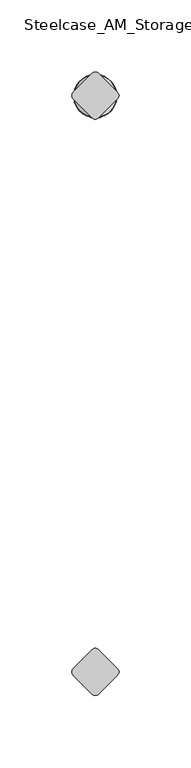
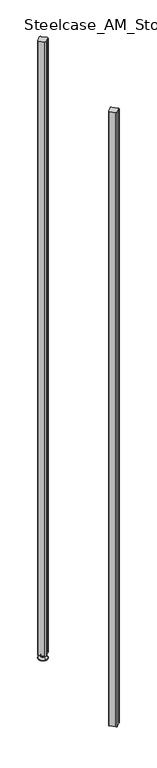
"""IFC4 building model written with IfcOpenShell, lengths in millimetres: furniture geometry, Steelcase_AM_Storage_FlexActiveFrames_FrameExtension : 5 High."""

from ifc_helpers import new_model, si_unit, point, frame, frame_2d, origin, place, context, project, spatial, polyline, circle_curve, ellipse_curve, trimmed, segment, composite_curve, outline, extrude, source, transform, mapped, element, save
from ifc_brep_helpers import plane_surface, cylinder_surface, revolved_surface, advanced_brep


def steelcase_am_storage_flexactiveframes_frameextension_5_high_85df0d84(model_context):
    return source(origin(), model_context, "Body", "SolidModel", [
        advanced_brep(
        [(800.1, 400.05, 15.9766), (800.1, 404.049659, 15.9766), (800.1, 396.050341, 15.9766), (800.1, 404.049659, 12.6000054), (800.1, 396.050341, 12.6000054), (800.1, 405.9101455, 12.6000074), (800.1, 394.1898545, 12.6000074), (800.1, 406.5451462, 11.9650074), (800.1, 393.5548538, 11.9650074), (800.1, 406.5451462, 9.0000124), (800.1, 393.5548538, 9.0000124), (800.1, 408.7921976, 9.0000124), (800.1, 391.3078024, 9.0000124), (800.1, 414.7560077, 2.3275608), (800.1, 385.3439923, 2.3275608), (800.1, 413.714601, 0.0), (800.1, 386.385399, 0.0), (800.1, 400.05, 0.0)],
        [
            (0, 1),
            (1, 2, circle_curve(frame((800.1, 400.05, 15.9766), z_axis=(0.0, 0.0, 1.0), x_axis=(0.0, -1.0, 0.0)), 3.999659)),
            (2, 0),
            (2, 1, circle_curve(frame((800.1, 400.05, 15.9766), z_axis=(0.0, 0.0, 1.0), x_axis=(0.0, -1.0, 0.0)), 3.999659)),
            (1, 3),
            (3, 4, circle_curve(frame((800.1, 400.05, 12.6000054), z_axis=(0.0, 0.0, 1.0), x_axis=(0.0, -1.0, 0.0)), 3.999659)),
            (4, 2),
            (4, 3, circle_curve(frame((800.1, 400.05, 12.6000054), z_axis=(0.0, 0.0, 1.0), x_axis=(0.0, -1.0, 0.0)), 3.999659)),
            (3, 5),
            (5, 6, circle_curve(frame((800.1, 400.05, 12.6000074), z_axis=(0.0, 0.0, 1.0), x_axis=(0.0, -1.0, 0.0)), 5.8601455)),
            (6, 4),
            (6, 5, circle_curve(frame((800.1, 400.05, 12.6000074), z_axis=(0.0, 0.0, 1.0), x_axis=(0.0, -1.0, 0.0)), 5.8601455)),
            (5, 7, circle_curve(frame((800.1, 405.9101462, 11.9650074), z_axis=(-1.0, 0.0, 0.0), x_axis=(0.0, 1.0, 0.0)), 0.635)),
            (7, 8, circle_curve(frame((800.1, 400.05, 11.9650074), z_axis=(0.0, 0.0, 1.0), x_axis=(0.0, -1.0, 0.0)), 6.4951462)),
            (8, 6, circle_curve(frame((800.1, 394.1898538, 11.9650074), z_axis=(-1.0, 0.0, 0.0), x_axis=(0.0, -1.0, 0.0)), 0.635)),
            (8, 7, circle_curve(frame((800.1, 400.05, 11.9650074), z_axis=(0.0, 0.0, 1.0), x_axis=(0.0, -1.0, 0.0)), 6.4951462)),
            (7, 9),
            (9, 10, circle_curve(frame((800.1, 400.05, 9.0000124), z_axis=(0.0, 0.0, 1.0), x_axis=(0.0, -1.0, 0.0)), 6.4951462)),
            (10, 8),
            (10, 9, circle_curve(frame((800.1, 400.05, 9.0000124), z_axis=(0.0, 0.0, 1.0), x_axis=(0.0, -1.0, 0.0)), 6.4951462)),
            (9, 11),
            (11, 12, circle_curve(frame((800.1, 400.05, 9.0000124), z_axis=(0.0, 0.0, 1.0), x_axis=(0.0, -1.0, 0.0)), 8.7421976)),
            (12, 10),
            (12, 11, circle_curve(frame((800.1, 400.05, 9.0000124), z_axis=(0.0, 0.0, 1.0), x_axis=(0.0, -1.0, 0.0)), 8.7421976)),
            (11, 13),
            (13, 14, circle_curve(frame((800.1, 400.05, 2.3275608), z_axis=(0.0, 0.0, 1.0), x_axis=(0.0, -1.0, 0.0)), 14.7060077)),
            (14, 12),
            (14, 13, circle_curve(frame((800.1, 400.05, 2.3275608), z_axis=(0.0, 0.0, 1.0), x_axis=(0.0, -1.0, 0.0)), 14.7060077)),
            (13, 15, circle_curve(frame((800.1, 413.714601, 1.3967556), z_axis=(-1.0, 0.0, 0.0), x_axis=(0.0, 1.0, 0.0)), 1.3967556)),
            (15, 16, circle_curve(frame((800.1, 400.05, 0.0), z_axis=(0.0, 0.0, 1.0), x_axis=(0.0, -1.0, 0.0)), 13.664601)),
            (16, 14, circle_curve(frame((800.1, 386.385399, 1.3967556), z_axis=(-1.0, 0.0, 0.0), x_axis=(0.0, -1.0, 0.0)), 1.3967556)),
            (16, 15, circle_curve(frame((800.1, 400.05, 0.0), z_axis=(0.0, 0.0, 1.0), x_axis=(0.0, -1.0, 0.0)), 13.664601)),
            (15, 17),
            (17, 16),
        ],
        [
            plane_surface(frame((800.1, 400.05, 15.9766), z_axis=(0.0, 0.0, 1.0), x_axis=(0.0, -1.0, 0.0))),
            cylinder_surface(frame((800.1, 400.05, -4.132372), z_axis=(0.0, 0.0, 1.0), x_axis=(0.0, -1.0, 0.0)), 3.999659),
            plane_surface(frame((800.1, 400.05, 12.6000074), z_axis=(0.0, 0.0, 1.0), x_axis=(0.0, -1.0, 0.0))),
            revolved_surface(trimmed(ellipse_curve(frame((800.1, 394.1898538, 11.9650074), z_axis=(-1.0, 0.0, 0.0), x_axis=(0.0, -1.0, 0.0)), 0.635, 0.635), [point((800.1, 393.5548538, 11.9650074))], [point((800.1, 394.1898545, 12.6000074))], True, "CARTESIAN"), (800.1, 400.05, -4.132372), (0.0, 0.0, 1.0)),
            cylinder_surface(frame((800.1, 400.05, -4.132372), z_axis=(0.0, 0.0, 1.0), x_axis=(0.0, -1.0, 0.0)), 6.4951462),
            plane_surface(frame((800.1, 400.05, 9.0000124), z_axis=(0.0, 0.0, 1.0), x_axis=(0.0, -1.0, 0.0))),
            revolved_surface(polyline([(800.1, 385.3439923, 2.3275608), (800.1, 391.3078024, 9.0000124)]), (800.1, 400.05, -4.132372), (0.0, 0.0, 1.0)),
            revolved_surface(trimmed(ellipse_curve(frame((800.1, 386.385399, 1.3967556), z_axis=(-1.0, 0.0, 0.0), x_axis=(0.0, -1.0, 0.0)), 1.3967556, 1.3967556), [point((800.1, 386.385399, 0.0))], [point((800.1, 385.3439923, 2.3275608))], True, "CARTESIAN"), (800.1, 400.05, -4.132372), (0.0, 0.0, 1.0)),
            plane_surface(frame((800.1, 400.05, 0.0), z_axis=(0.0, 0.0, -1.0), x_axis=(0.0, -1.0, 0.0))),
        ],
        [
            (0, [[1, 2, 3]]),
            (0, [[-3, 4, -1]]),
            (1, [[5, 6, 7, -2]]),
            (1, [[-7, 8, -5, -4]]),
            (2, [[9, 10, 11, -6]]),
            (2, [[-11, 12, -9, -8]]),
            (3, [[13, 14, 15, -10]]),
            (3, [[-15, 16, -13, -12]]),
            (4, [[17, 18, 19, -14]]),
            (4, [[-19, 20, -17, -16]]),
            (5, [[21, 22, 23, -18]]),
            (5, [[-23, 24, -21, -20]]),
            (6, [[25, 26, 27, -22]]),
            (6, [[-27, 28, -25, -24]]),
            (7, [[29, 30, 31, -26]]),
            (7, [[-31, 32, -29, -28]]),
            (8, [[33, 34, -30]]),
            (8, [[-34, -33, -32]]),
        ],
    ),
        extrude(outline(composite_curve([segment(polyline([(802.345064, 15.4326055), (815.5326055, 2.245064)]), True, "CONTINUOUS"), segment(trimmed(circle_curve(frame_2d((813.2875415, 0.0)), 3.175), [point((815.5326055, 2.245064))], [point((815.5326055, -2.245064))], False, "CARTESIAN"), True, "CONTINUOUS"), segment(polyline([(815.5326055, -2.245064), (802.345064, -15.4326055)]), True, "CONTINUOUS"), segment(trimmed(circle_curve(frame_2d((800.1, -13.1875415)), 3.175), [point((802.345064, -15.4326055))], [point((797.854936, -15.4326055))], False, "CARTESIAN"), True, "CONTINUOUS"), segment(polyline([(797.854936, -15.4326055), (784.6673945, -2.245064)]), True, "CONTINUOUS"), segment(trimmed(circle_curve(frame_2d((786.9124585, 0.0)), 3.175), [point((784.6673945, -2.245064))], [point((784.6673945, 2.245064))], False, "CARTESIAN"), True, "CONTINUOUS"), segment(polyline([(784.6673945, 2.245064), (797.854936, 15.4326055)]), True, "CONTINUOUS"), segment(trimmed(circle_curve(frame_2d((800.1, 13.1875415)), 3.175), [point((797.854936, 15.4326055))], [point((802.345064, 15.4326055))], False, "CARTESIAN"), True, "CONTINUOUS")], self_intersect=False)), frame((0.0, 0.0, 15.9766), z_axis=(0.0, 0.0, 1.0), x_axis=(1.0, 0.0, 0.0)), (0.0, 0.0, 1.0), 2111.2734),
        extrude(outline(composite_curve([segment(trimmed(circle_curve(frame_2d((800.1, 386.8624585)), 3.175), [point((802.345064, 384.6173945))], [point((797.854936, 384.6173945))], False, "CARTESIAN"), True, "CONTINUOUS"), segment(polyline([(797.854936, 384.6173945), (784.6673945, 397.804936)]), True, "CONTINUOUS"), segment(trimmed(circle_curve(frame_2d((786.9124585, 400.05)), 3.175), [point((784.6673945, 397.804936))], [point((784.6673945, 402.295064))], False, "CARTESIAN"), True, "CONTINUOUS"), segment(polyline([(784.6673945, 402.295064), (797.854936, 415.4826055)]), True, "CONTINUOUS"), segment(trimmed(circle_curve(frame_2d((800.1, 413.2375415)), 3.175), [point((797.854936, 415.4826055))], [point((802.345064, 415.4826055))], False, "CARTESIAN"), True, "CONTINUOUS"), segment(polyline([(802.345064, 415.4826055), (815.5326055, 402.295064)]), True, "CONTINUOUS"), segment(trimmed(circle_curve(frame_2d((813.2875415, 400.05)), 3.175), [point((815.5326055, 402.295064))], [point((815.5326055, 397.804936))], False, "CARTESIAN"), True, "CONTINUOUS"), segment(polyline([(815.5326055, 397.804936), (802.345064, 384.6173945)]), True, "CONTINUOUS")], self_intersect=False)), frame((0.0, 0.0, 15.9766), z_axis=(0.0, 0.0, 1.0), x_axis=(1.0, 0.0, 0.0)), (0.0, 0.0, 1.0), 2111.2734),
    ])


if __name__ == "__main__":
    model = new_model("IFC4")
    model_context = context("Model", 3, world=origin())
    ifc_project = project(units=[si_unit("LENGTHUNIT", "METRE", prefix="MILLI")], contexts=[model_context])
    site = spatial("IfcSite", under=ifc_project)
    building = spatial("IfcBuilding", under=site)
    placement = place(None, origin())
    steelcase_am_storage_flexactiveframes_frameextension_5_high_shape = steelcase_am_storage_flexactiveframes_frameextension_5_high_85df0d84(model_context)
    element("IfcFurniture", 1, ObjectType="Steelcase_AM_Storage_FlexActiveFrames_FrameExtension : 5 High", at=placement, inside=building, context=model_context, shape_type="MappedRepresentation", body=[
        mapped(steelcase_am_storage_flexactiveframes_frameextension_5_high_shape, transform((0.0, 0.0, 0.0), x_axis=(1.0, 0.0, 0.0), y_axis=(0.0, 1.0, 0.0), z_axis=(0.0, 0.0, 1.0))),
    ])
    save(model, "model.ifc")
